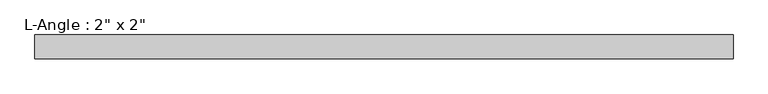
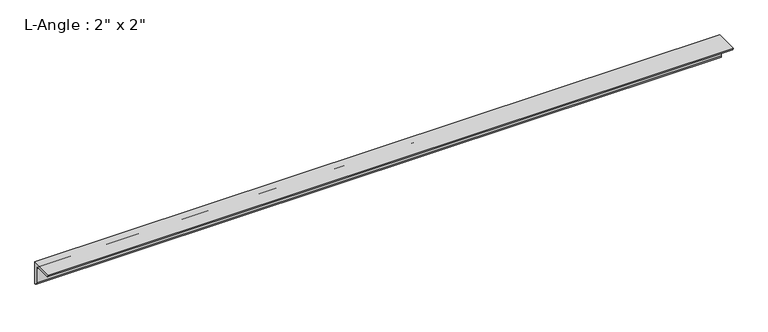
"""IFC4 building model written with IfcOpenShell, lengths in millimetres: beam geometry."""

from ifc_helpers import new_model, si_unit, point, frame, frame_2d, origin, place, context, project, spatial, polyline, circle_curve, trimmed, segment, composite_curve, outline, extrude, source, transform, mapped, element, save


def beam_1ce3319f(model_context):
    return source(origin(), model_context, "Body", "SweptSolid", [
        extrude(outline(composite_curve([segment(polyline([(0.0, 0.0), (0.0, -50.8)]), True, "CONTINUOUS"), segment(trimmed(circle_curve(frame_2d((0.0, -44.45)), 6.35), [point((0.0, -50.8))], [point((-6.35, -44.45))], False, "CARTESIAN"), True, "CONTINUOUS"), segment(polyline([(-6.35, -44.45), (-6.35, -12.7)]), True, "CONTINUOUS"), segment(trimmed(circle_curve(frame_2d((-12.7, -12.7)), 6.35), [point((-6.35, -12.7))], [point((-12.7, -6.35))], True, "CARTESIAN"), True, "CONTINUOUS"), segment(polyline([(-12.7, -6.35), (-44.45, -6.35)]), True, "CONTINUOUS"), segment(trimmed(circle_curve(frame_2d((-44.45, 0.0)), 6.35), [point((-44.45, -6.35))], [point((-50.8, 0.0))], False, "CARTESIAN"), True, "CONTINUOUS"), segment(polyline([(-50.8, 0.0), (0.0, 0.0)]), True, "CONTINUOUS")], self_intersect=False)), frame((-747.8823369, 0.0, 0.0), z_axis=(1.0, 0.0, 0.0), x_axis=(0.0, 1.0, 0.0)), (0.0, 0.0, 1.0), 1495.7646738),
    ])


if __name__ == "__main__":
    model = new_model("IFC4")
    model_context = context("Model", 3, world=origin())
    ifc_project = project(units=[si_unit("LENGTHUNIT", "METRE", prefix="MILLI")], contexts=[model_context])
    site = spatial("IfcSite", under=ifc_project)
    building = spatial("IfcBuilding", under=site)
    placement = place(None, origin())
    beam_shape = beam_1ce3319f(model_context)
    element("IfcBeam", 1, ObjectType="L-Angle : 2\" x 2\"", at=placement, inside=building, context=model_context, shape_type="MappedRepresentation", body=[
        mapped(beam_shape, transform((0.0, 0.0, 0.0), x_axis=(1.0, 0.0, 0.0), y_axis=(0.0, 1.0, 0.0), z_axis=(0.0, 0.0, 1.0))),
    ])
    save(model, "model.ifc")
